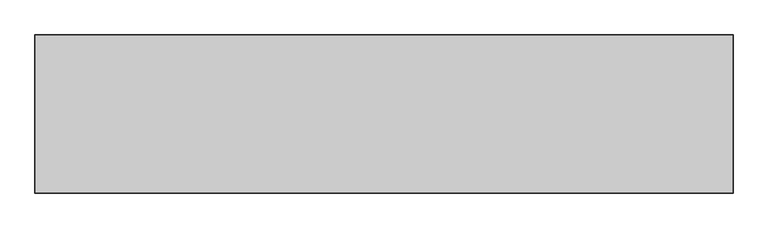
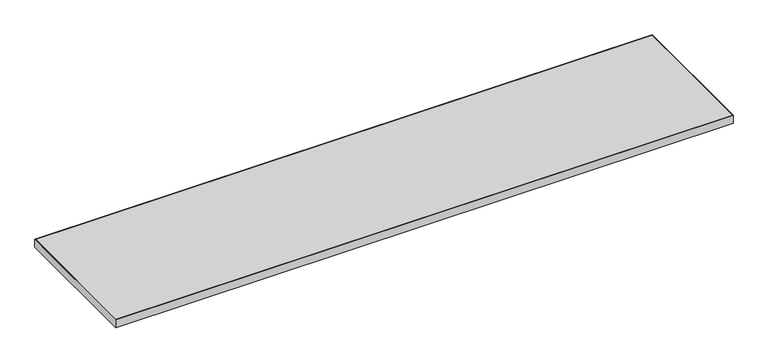
"""IFC4 building model written with IfcOpenShell, lengths in millimetres: furniture geometry."""

from ifc_helpers import new_model, si_unit, frame, origin, place, context, project, spatial, polyline, outline, extrude, source, transform, mapped, element, save


def furniture_38140b9b(model_context):
    return source(origin(), model_context, "Body", "SweptSolid", [
        extrude(outline(polyline([(1666.3273996, 277.8916812), (-461.0242004, 277.8916812), (-461.0242004, 757.2912812), (1666.3273996, 757.2912812), (1666.3273996, 277.8916812)])), frame((0.0, 0.0, 707.0328125), z_axis=(0.0, 0.0, 1.0), x_axis=(1.0, 0.0, 0.0)), (0.0, 0.0, 1.0), 29.5671875),
        extrude(outline(polyline([(1667.9148996, 758.8787812), (1667.9148996, 276.3041812), (-462.6117004, 276.3041812), (-462.6117004, 758.8787812), (1667.9148996, 758.8787812)]), holes=[polyline([(-461.0242004, 757.2912812), (-461.0242004, 277.8916812), (1666.3273996, 277.8916812), (1666.3273996, 757.2912812), (-461.0242004, 757.2912812)])]), frame((0.0, 0.0, 707.009), z_axis=(0.0, 0.0, 1.0), x_axis=(1.0, 0.0, 0.0)), (0.0, 0.0, 1.0), 29.591),
    ])


if __name__ == "__main__":
    model = new_model("IFC4")
    model_context = context("Model", 3, world=origin())
    ifc_project = project(units=[si_unit("LENGTHUNIT", "METRE", prefix="MILLI")], contexts=[model_context])
    site = spatial("IfcSite", under=ifc_project)
    building = spatial("IfcBuilding", under=site)
    placement = place(None, origin())
    furniture_shape = furniture_38140b9b(model_context)
    element("IfcFurniture", 1, at=placement, inside=building, context=model_context, shape_type="MappedRepresentation", body=[
        mapped(furniture_shape, transform((0.0, 0.0, 0.0), x_axis=(1.0, 0.0, 0.0), y_axis=(0.0, 1.0, 0.0), z_axis=(0.0, 0.0, 1.0))),
    ])
    save(model, "model.ifc")
